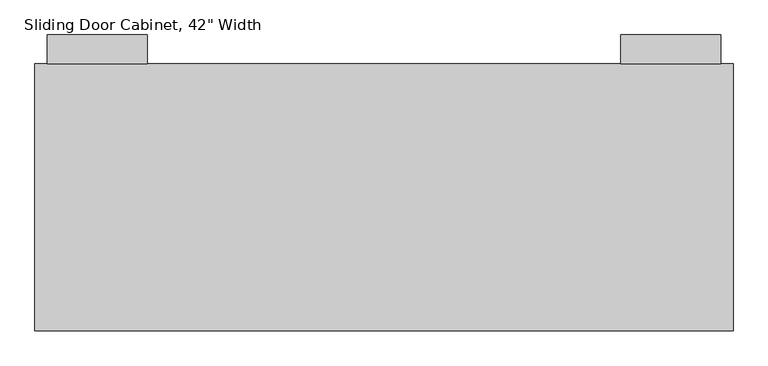
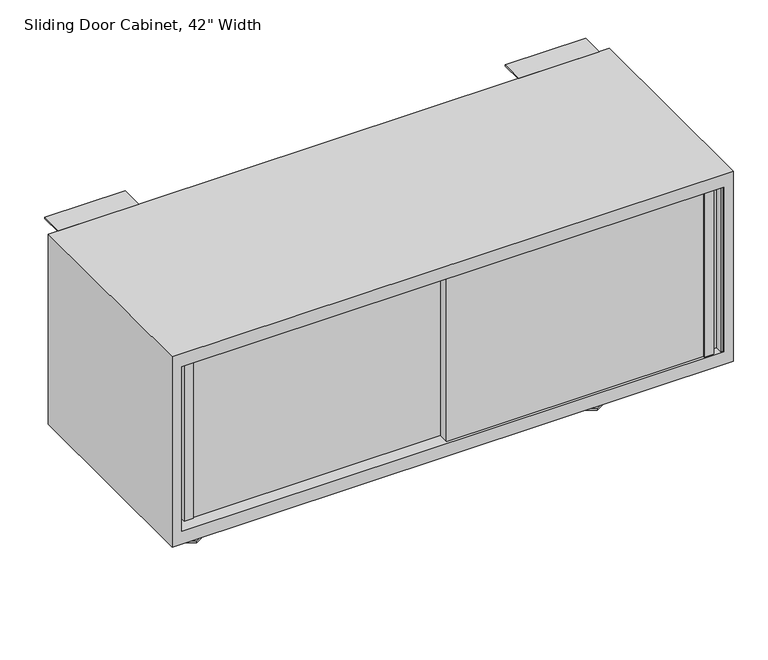
"""IFC4 building model written with IfcOpenShell, lengths in millimetres: furniture geometry."""

from ifc_helpers import new_model, si_unit, point, frame, frame_2d, origin, origin_with_axes, place, context, project, spatial, polyline, circle_curve, trimmed, segment, composite_curve, outline, extrude, faceted_brep, source, transform, mapped, element, save


def furniture_d19da1b5(model_context):
    return source(origin(), model_context, "Body", "SolidModel", [
        extrude(outline(composite_curve([segment(trimmed(circle_curve(frame_2d((-609.6, -176.6800781)), 3.9782717), [point((-609.6, -172.7018065))], [point((-609.6, -180.6583498))], False, "CARTESIAN"), True, "CONTINUOUS"), segment(trimmed(circle_curve(frame_2d((-609.6, -176.6800781)), 3.9782717), [point((-609.6, -180.6583498))], [point((-609.6, -172.7018065))], False, "CARTESIAN"), True, "CONTINUOUS")], self_intersect=False)), frame((0.0, 0.0, 3.794115), z_axis=(0.0, 0.0, 1.0), x_axis=(1.0, 0.0, 0.0)), (0.0, 0.0, 1.0), 26.230875),
        extrude(outline(composite_curve([segment(trimmed(circle_curve(frame_2d((149.352, -176.6800781)), 3.9782717), [point((149.352, -172.7018065))], [point((149.352, -180.6583498))], False, "CARTESIAN"), True, "CONTINUOUS"), segment(trimmed(circle_curve(frame_2d((149.352, -176.6800781)), 3.9782717), [point((149.352, -180.6583498))], [point((149.352, -172.7018065))], False, "CARTESIAN"), True, "CONTINUOUS")], self_intersect=False)), frame((0.0, 0.0, 3.794115), z_axis=(0.0, 0.0, 1.0), x_axis=(1.0, 0.0, 0.0)), (0.0, 0.0, 1.0), 26.230875),
        extrude(outline(polyline([(131.8779143, -166.5914101), (149.352, -156.502742), (166.8260857, -166.5914101), (166.8260857, -186.7687462), (149.352, -196.8574143), (131.8779143, -186.7687462), (131.8779143, -166.5914101)])), origin_with_axes(), (0.0, 0.0, 1.0), 3.794115),
        extrude(outline(polyline([(-627.0740857, -166.5914101), (-609.6, -156.502742), (-592.1259143, -166.5914101), (-592.1259143, -186.7687462), (-609.6, -196.8574143), (-627.0740857, -186.7687462), (-627.0740857, -166.5914101)])), origin_with_axes(), (0.0, 0.0, 1.0), 3.794115),
        extrude(outline(polyline([(-708.7275816, -354.8480781), (-708.7275816, -357.3480781), (-726.3275816, -357.3480781), (-726.3275816, -341.3098281), (-740.0275816, -341.3098281), (-740.0275816, -357.3480781), (-743.6275816, -357.3480781), (-743.6275816, -339.3098281), (-723.8275816, -339.3098281), (-723.8275816, -354.8480781), (-708.7275816, -354.8480781)])), frame((0.0, 0.0, 180.975), z_axis=(0.0, 0.0, 1.0), x_axis=(1.0, 0.0, 0.0)), (0.0, 0.0, 1.0), 330.2),
        extrude(outline(polyline([(248.5035816, -374.8080781), (263.6035816, -374.8080781), (263.6035816, -361.8080781), (283.4035816, -361.8080781), (283.4035816, -377.3080781), (279.8035816, -377.3080781), (279.8035816, -363.8080781), (266.1035816, -363.8080781), (266.1035816, -377.3080781), (248.5035816, -377.3080781), (248.5035816, -374.8080781)])), frame((0.0, 0.0, 180.975), z_axis=(0.0, 0.0, 1.0), x_axis=(1.0, 0.0, 0.0)), (0.0, 0.0, 1.0), 330.2),
        extrude(outline(polyline([(-239.0144184, -357.0080781), (263.6035816, -357.0080781), (263.6035816, -374.8080781), (-239.0144184, -374.8080781), (-239.0144184, -357.0080781)])), frame((0.0, 0.0, 180.975), z_axis=(0.0, 0.0, 1.0), x_axis=(1.0, 0.0, 0.0)), (0.0, 0.0, 1.0), 330.2),
        extrude(outline(polyline([(-723.8275816, -337.0480781), (-221.234, -337.0480781), (-221.234, -354.8480781), (-723.8275816, -354.8480781), (-723.8275816, -337.0480781)])), frame((0.0, 0.0, 180.975), z_axis=(0.0, 0.0, 1.0), x_axis=(1.0, 0.0, 0.0)), (0.0, 0.0, 1.0), 330.2),
        extrude(outline(polyline([(139.3444, -157.6300781), (159.3596, -157.6300781), (159.3596, -195.7300781), (139.3444, -195.7300781), (139.3444, -157.6300781)])), frame((0.0, 0.0, 30.02499), z_axis=(0.0, 0.0, 1.0), x_axis=(1.0, 0.0, 0.0)), (0.0, 0.0, 1.0), 125.55001),
        extrude(outline(polyline([(-619.6, -157.6300781), (-599.6, -157.6300781), (-599.6, -195.7300781), (-619.6, -195.7300781), (-619.6, -157.6300781)])), frame((0.0, 0.0, 30.02499), z_axis=(0.0, 0.0, 1.0), x_axis=(1.0, 0.0, 0.0)), (0.0, 0.0, 1.0), 125.55001),
        extrude(outline(polyline([(26.5199219, 508.77499), (26.5199219, 536.575), (70.8140505, 536.575), (70.8140505, 533.80049), (29.2199219, 533.80049), (29.2199219, 508.77499), (26.5199219, 508.77499)])), frame((130.276, 0.0, 0.0), z_axis=(1.0, 0.0, 0.0), x_axis=(0.0, 1.0, 0.0)), (0.0, 0.0, 1.0), 152.4),
        extrude(outline(polyline([(26.5199219, 536.575), (70.8140505, 536.575), (70.8140505, 533.80049), (29.2199219, 533.80049), (29.2199219, 508.77499), (26.5199219, 508.77499), (26.5199219, 536.575)])), frame((-742.9, 0.0, 0.0), z_axis=(1.0, 0.0, 0.0), x_axis=(0.0, 1.0, 0.0)), (0.0, 0.0, 1.0), 152.4),
        faceted_brep([(301.752, -379.8800781, 536.575), (301.752, 26.5199219, 536.575), (-762.0, 26.5199219, 536.575), (-762.0, -379.8800781, 536.575), (301.752, 26.5199219, 155.575), (301.752, -379.8800781, 155.575), (-762.0, -379.8800781, 155.575), (-762.0, 26.5199219, 155.575), (283.972, -379.8800781, 180.975), (283.972, -379.8800781, 511.175), (283.972, 1.1199219, 511.175), (283.972, 1.1199219, 180.975), (-744.22, -379.8800781, 180.975), (-744.22, -379.8800781, 511.175), (-744.22, 1.1199219, 180.975), (-744.22, 1.1199219, 511.175)], [[[0, 1, 2, 3]], [[4, 5, 6, 7]], [[8, 9, 10, 11]], [[0, 3, 6, 5], [8, 12, 13, 9]], [[1, 0, 5, 4]], [[2, 1, 4, 7]], [[6, 3, 2, 7]], [[13, 12, 14, 15]], [[12, 8, 11, 14]], [[14, 11, 10, 15]], [[9, 13, 15, 10]]]),
    ])


if __name__ == "__main__":
    model = new_model("IFC4")
    model_context = context("Model", 3, world=origin())
    ifc_project = project(units=[si_unit("LENGTHUNIT", "METRE", prefix="MILLI")], contexts=[model_context])
    site = spatial("IfcSite", under=ifc_project)
    building = spatial("IfcBuilding", under=site)
    placement = place(None, origin())
    furniture_shape = furniture_d19da1b5(model_context)
    element("IfcFurniture", 1, ObjectType="Sliding Door Cabinet, 42\" Width", at=placement, inside=building, context=model_context, shape_type="MappedRepresentation", body=[
        mapped(furniture_shape, transform((0.0, 0.0, 0.0), x_axis=(1.0, 0.0, 0.0), y_axis=(0.0, 1.0, 0.0), z_axis=(0.0, 0.0, 1.0))),
    ])
    save(model, "model.ifc")
